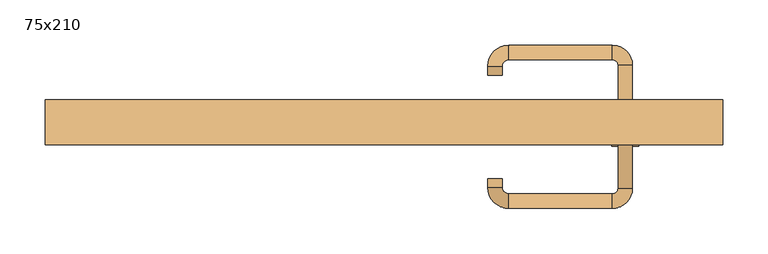
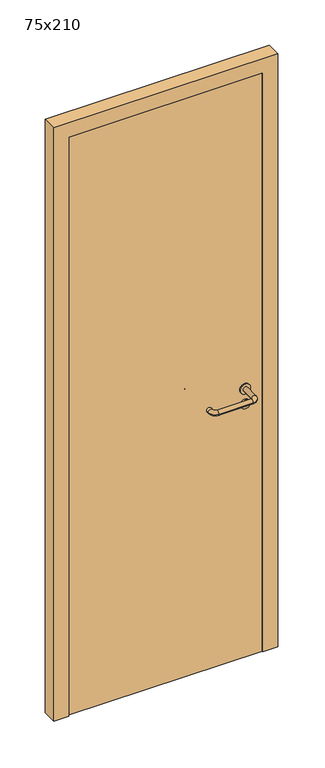
"""IFC4 building model written with IfcOpenShell, lengths in millimetres: door geometry, 75x210."""

from ifc_helpers import new_model, si_unit, point, frame, frame_2d, origin, origin_with_axes, place, context, project, spatial, polyline, circle_curve, ellipse_curve, trimmed, segment, composite_curve, outline, extrude, source, transform, mapped, element, save
from ifc_brep_helpers import plane_surface, cylinder_surface, revolved_surface, advanced_brep


def door_75x210_bcca89df(model_context):
    return source(origin(), model_context, "Body", "SolidModel", [
        extrude(outline(composite_curve([segment(trimmed(circle_curve(frame_2d((897.3605726, 267.0)), 15.0), [point((897.3605726, 282.0))], [point((897.3605726, 252.0))], False, "CARTESIAN"), True, "CONTINUOUS"), segment(trimmed(circle_curve(frame_2d((897.3605726, 267.0)), 15.0), [point((897.3605726, 252.0))], [point((897.3605726, 282.0))], False, "CARTESIAN"), True, "CONTINUOUS")], self_intersect=False), holes=[composite_curve([segment(trimmed(circle_curve(frame_2d((892.5833211, 266.9398032)), 2.0), [point((892.5833211, 268.9398032))], [point((892.5833211, 264.9398032))], True, "CARTESIAN"), True, "CONTINUOUS"), segment(polyline([(892.5833211, 264.9398032), (902.5833211, 264.9398032)]), True, "CONTINUOUS"), segment(trimmed(circle_curve(frame_2d((902.5833211, 266.9398032)), 2.0), [point((902.5833211, 264.9398032))], [point((902.5833211, 268.9398032))], True, "CARTESIAN"), True, "CONTINUOUS"), segment(polyline([(902.5833211, 268.9398032), (892.5833211, 268.9398032)]), True, "CONTINUOUS")], self_intersect=False)]), frame((0.0, -15.0, 0.0), z_axis=(0.0, 1.0, 0.0), x_axis=(0.0, 0.0, 1.0)), (0.0, 0.0, 1.0), 6.35),
        extrude(outline(composite_curve([segment(trimmed(circle_curve(frame_2d((950.0, 267.0)), 17.526), [point((950.0, 284.526))], [point((950.0, 249.474))], False, "CARTESIAN"), True, "CONTINUOUS"), segment(trimmed(circle_curve(frame_2d((950.0, 267.0)), 17.526), [point((950.0, 249.474))], [point((950.0, 284.526))], False, "CARTESIAN"), True, "CONTINUOUS")], self_intersect=False)), frame((0.0, -15.0, 0.0), z_axis=(0.0, 1.0, 0.0), x_axis=(0.0, 0.0, 1.0)), (0.0, 0.0, 1.0), 3.175),
        advanced_brep(
        [(275.0, -15.0, 950.0), (259.0, -15.0, 950.0), (275.0, 38.0, 950.0), (259.0, 38.0, 950.0), (252.8578644, 44.1421356, 950.0), (252.8578644, 60.1421356, 950.0), (137.8578644, 60.1421356, 950.0), (137.8578644, 44.1421356, 950.0), (131.008622, 37.2928932, 950.0), (115.008622, 37.2928932, 950.0), (115.008622, 27.2928932, 950.0), (131.008622, 27.2928932, 950.0)],
        [
            (0, 1, circle_curve(frame((267.0, -15.0, 950.0), z_axis=(0.0, -1.0, 0.0), x_axis=(-1.0, 0.0, 0.0)), 8.0)),
            (1, 0, circle_curve(frame((267.0, -15.0, 950.0), z_axis=(0.0, -1.0, 0.0), x_axis=(-1.0, 0.0, 0.0)), 8.0)),
            (0, 2),
            (2, 3, circle_curve(frame((267.0, 38.0, 950.0), z_axis=(0.0, -1.0, 0.0), x_axis=(-1.0, 0.0, 0.0)), 8.0)),
            (3, 1),
            (3, 2, circle_curve(frame((267.0, 38.0, 950.0), z_axis=(0.0, -1.0, 0.0), x_axis=(-1.0, 0.0, 0.0)), 8.0)),
            (4, 3, circle_curve(frame((252.8578644, 38.0, 950.0), z_axis=(0.0, 0.0, -1.0), x_axis=(1.0, 0.0, 0.0)), 6.1421356)),
            (2, 5, circle_curve(frame((252.8578644, 38.0, 950.0), z_axis=(0.0, 0.0, 1.0), x_axis=(1.0, 0.0, 0.0)), 22.1421356)),
            (5, 4, circle_curve(frame((252.8578644, 52.1421356, 950.0), z_axis=(1.0, 0.0, 0.0), x_axis=(0.0, -1.0, 0.0)), 8.0)),
            (4, 5, circle_curve(frame((252.8578644, 52.1421356, 950.0), z_axis=(1.0, 0.0, 0.0), x_axis=(0.0, -1.0, 0.0)), 8.0)),
            (5, 6),
            (6, 7, circle_curve(frame((137.8578644, 52.1421356, 950.0), z_axis=(1.0, 0.0, 0.0), x_axis=(0.0, -1.0, 0.0)), 8.0)),
            (7, 4),
            (7, 6, circle_curve(frame((137.8578644, 52.1421356, 950.0), z_axis=(1.0, 0.0, 0.0), x_axis=(0.0, -1.0, 0.0)), 8.0)),
            (8, 7, circle_curve(frame((137.8578644, 37.2928932, 950.0), z_axis=(0.0, 0.0, -1.0), x_axis=(0.0, 1.0, 0.0)), 6.8492424)),
            (6, 9, circle_curve(frame((137.8578644, 37.2928932, 950.0), z_axis=(0.0, 0.0, 1.0), x_axis=(0.0, 1.0, 0.0)), 22.8492424)),
            (9, 8, circle_curve(frame((123.008622, 37.2928932, 950.0), z_axis=(0.0, 1.0, 0.0), x_axis=(1.0, 0.0, 0.0)), 8.0)),
            (8, 9, circle_curve(frame((123.008622, 37.2928932, 950.0), z_axis=(0.0, 1.0, 0.0), x_axis=(1.0, 0.0, 0.0)), 8.0)),
            (10, 11, circle_curve(frame((123.008622, 27.2928932, 950.0), z_axis=(0.0, -1.0, 0.0), x_axis=(1.0, 0.0, 0.0)), 8.0)),
            (11, 10, circle_curve(frame((123.008622, 27.2928932, 950.0), z_axis=(0.0, -1.0, 0.0), x_axis=(1.0, 0.0, 0.0)), 8.0)),
            (9, 10),
            (11, 8),
        ],
        [
            plane_surface(frame((267.0, -15.0, 170.0), z_axis=(0.0, -1.0, 0.0), x_axis=(0.0, 0.0, 1.0))),
            cylinder_surface(frame((267.0, -15.0, 950.0), z_axis=(0.0, -1.0, 0.0), x_axis=(-1.0, 0.0, 0.0)), 8.0),
            revolved_surface(trimmed(ellipse_curve(frame((267.0, 38.0, 950.0), z_axis=(0.0, -1.0, 0.0), x_axis=(-1.0, 0.0, 0.0)), 8.0, 8.0), [point((275.0, 38.0, 950.0))], [point((259.0, 38.0, 950.0))], True, "CARTESIAN"), (252.8578644, 38.0, 170.0), (0.0, 0.0, 1.0)),
            revolved_surface(trimmed(ellipse_curve(frame((267.0, 38.0, 950.0), z_axis=(0.0, -1.0, 0.0), x_axis=(-1.0, 0.0, 0.0)), 8.0, 8.0), [point((259.0, 38.0, 950.0))], [point((275.0, 38.0, 950.0))], True, "CARTESIAN"), (252.8578644, 38.0, 170.0), (0.0, 0.0, 1.0)),
            cylinder_surface(frame((252.8578644, 52.1421356, 950.0), z_axis=(1.0, 0.0, 0.0), x_axis=(0.0, -1.0, 0.0)), 8.0),
            revolved_surface(trimmed(ellipse_curve(frame((137.8578644, 52.1421356, 950.0), z_axis=(1.0, 0.0, 0.0), x_axis=(0.0, -1.0, 0.0)), 8.0, 8.0), [point((137.8578644, 60.1421356, 950.0))], [point((137.8578644, 44.1421356, 950.0))], True, "CARTESIAN"), (137.8578644, 37.2928932, 170.0), (0.0, 0.0, 1.0)),
            revolved_surface(trimmed(ellipse_curve(frame((137.8578644, 52.1421356, 950.0), z_axis=(1.0, 0.0, 0.0), x_axis=(0.0, -1.0, 0.0)), 8.0, 8.0), [point((137.8578644, 44.1421356, 950.0))], [point((137.8578644, 60.1421356, 950.0))], True, "CARTESIAN"), (137.8578644, 37.2928932, 170.0), (0.0, 0.0, 1.0)),
            plane_surface(frame((123.008622, 27.2928932, 170.0), z_axis=(0.0, -1.0, 0.0), x_axis=(0.0, 0.0, 1.0))),
            cylinder_surface(frame((123.008622, 37.2928932, 950.0), z_axis=(0.0, 1.0, 0.0), x_axis=(1.0, 0.0, 0.0)), 8.0),
        ],
        [
            (0, [[1, 2]]),
            (1, [[-1, 3, 4, 5]]),
            (1, [[-2, -5, 6, -3]]),
            (2, [[7, -4, 8, 9]]),
            (3, [[-8, -6, -7, 10]]),
            (4, [[-9, 11, 12, 13]]),
            (4, [[-10, -13, 14, -11]]),
            (5, [[15, -12, 16, 17]]),
            (6, [[-16, -14, -15, 18]]),
            (7, [[19, 20]]),
            (8, [[-17, 21, -20, 22]]),
            (8, [[-18, -22, -19, -21]]),
        ],
    ),
        extrude(outline(composite_curve([segment(trimmed(circle_curve(frame_2d((0.0, 15.0)), 15.0), [point((0.0, 30.0))], [point((0.0, 0.0))], False, "CARTESIAN"), True, "CONTINUOUS"), segment(trimmed(circle_curve(frame_2d((0.0, 15.0)), 15.0), [point((0.0, 0.0))], [point((0.0, 30.0))], False, "CARTESIAN"), True, "CONTINUOUS")], self_intersect=False), holes=[composite_curve([segment(trimmed(circle_curve(frame_2d((-4.7772515, 14.9398032)), 2.0), [point((-4.7772515, 16.9398032))], [point((-4.7772515, 12.9398032))], True, "CARTESIAN"), True, "CONTINUOUS"), segment(polyline([(-4.7772515, 12.9398032), (5.2227485, 12.9398032)]), True, "CONTINUOUS"), segment(trimmed(circle_curve(frame_2d((5.2227485, 14.9398032)), 2.0), [point((5.2227485, 12.9398032))], [point((5.2227485, 16.9398032))], True, "CARTESIAN"), True, "CONTINUOUS"), segment(polyline([(5.2227485, 16.9398032), (-4.7772515, 16.9398032)]), True, "CONTINUOUS")], self_intersect=False)]), frame((252.0, -51.35, 897.3605726), z_axis=(-1.8870575173328306e-12, 1.0, 0.0), x_axis=(0.0, 0.0, 1.0)), (0.0, 0.0, 1.0), 6.35),
        extrude(outline(composite_curve([segment(trimmed(circle_curve(frame_2d((0.0, 17.526)), 17.526), [point((0.0, 35.052))], [point((0.0, 0.0))], False, "CARTESIAN"), True, "CONTINUOUS"), segment(trimmed(circle_curve(frame_2d((0.0, 17.526)), 17.526), [point((0.0, 0.0))], [point((0.0, 35.052))], False, "CARTESIAN"), True, "CONTINUOUS")], self_intersect=False)), frame((249.474, -48.175, 950.0), z_axis=(-1.8870575173328306e-12, 1.0, 0.0), x_axis=(0.0, 0.0, 1.0)), (0.0, 0.0, 1.0), 3.175),
        advanced_brep(
        [(275.0, -45.0, 950.0), (259.0, -45.0, 950.0), (259.0, -98.0, 950.0), (275.0, -98.0, 950.0), (252.8578644, -104.1421356, 950.0), (252.8578644, -120.1421356, 950.0), (137.8578644, -104.1421356, 950.0), (137.8578644, -120.1421356, 950.0), (131.008622, -97.2928932, 950.0), (115.008622, -97.2928932, 950.0), (115.008622, -87.2928932, 950.0), (131.008622, -87.2928932, 950.0)],
        [
            (0, 1, circle_curve(frame((267.0, -45.0, 950.0), z_axis=(-1.888672253512351e-12, 1.0, 0.0), x_axis=(-1.0, -1.888672253512351e-12, 0.0)), 8.0)),
            (1, 0, circle_curve(frame((267.0, -45.0, 950.0), z_axis=(-1.888672253512351e-12, 1.0, 0.0), x_axis=(-1.0, -1.888672253512351e-12, 0.0)), 8.0)),
            (1, 2),
            (2, 3, circle_curve(frame((267.0, -98.0, 950.0), z_axis=(-1.888672253512351e-12, 1.0, 0.0), x_axis=(-1.0, -1.888672253512351e-12, 0.0)), 8.0)),
            (3, 0),
            (3, 2, circle_curve(frame((267.0, -98.0, 950.0), z_axis=(-1.888672253512351e-12, 1.0, 0.0), x_axis=(-1.0, -1.888672253512351e-12, 0.0)), 8.0)),
            (4, 5, circle_curve(frame((252.8578644, -112.1421356, 950.0), z_axis=(1.0, 1.913702061528922e-12, 0.0), x_axis=(-1.913702061528922e-12, 1.0, 0.0)), 8.0)),
            (5, 3, circle_curve(frame((252.8578644, -98.0, 950.0), z_axis=(0.0, 0.0, 1.0), x_axis=(1.0, 1.880717803715015e-12, 0.0)), 22.1421356)),
            (2, 4, circle_curve(frame((252.8578644, -98.0, 950.0), z_axis=(0.0, 0.0, -1.0), x_axis=(1.0, 1.880717803715015e-12, 0.0)), 6.1421356)),
            (5, 4, circle_curve(frame((252.8578644, -112.1421356, 950.0), z_axis=(1.0, 1.913702061528922e-12, 0.0), x_axis=(-1.913702061528922e-12, 1.0, 0.0)), 8.0)),
            (4, 6),
            (6, 7, circle_curve(frame((137.8578644, -112.1421356, 950.0), z_axis=(1.0, 1.913719828541269e-12, 0.0), x_axis=(-1.913719828541269e-12, 1.0, 0.0)), 8.0)),
            (7, 5),
            (7, 6, circle_curve(frame((137.8578644, -112.1421356, 950.0), z_axis=(1.0, 1.913719828541269e-12, 0.0), x_axis=(-1.913719828541269e-12, 1.0, 0.0)), 8.0)),
            (8, 9, circle_curve(frame((123.008622, -97.2928932, 950.0), z_axis=(1.890226565746826e-12, -1.0, 0.0), x_axis=(1.0, 1.890226565746826e-12, 0.0)), 8.0)),
            (9, 7, circle_curve(frame((137.8578644, -97.2928932, 950.0), z_axis=(0.0, 0.0, 1.0), x_axis=(1.9120873253494017e-12, -1.0, 0.0)), 22.8492424)),
            (6, 8, circle_curve(frame((137.8578644, -97.2928932, 950.0), z_axis=(0.0, 0.0, -1.0), x_axis=(1.9120873253494017e-12, -1.0, 0.0)), 6.8492424)),
            (9, 8, circle_curve(frame((123.008622, -97.2928932, 950.0), z_axis=(1.890670654956676e-12, -1.0, 0.0), x_axis=(1.0, 1.890670654956676e-12, 0.0)), 8.0)),
            (10, 11, circle_curve(frame((123.008622, -87.2928932, 950.0), z_axis=(-1.8903642334018795e-12, 1.0, 0.0), x_axis=(1.0, 1.8903642334018795e-12, 0.0)), 8.0)),
            (11, 10, circle_curve(frame((123.008622, -87.2928932, 950.0), z_axis=(-1.8903642334018795e-12, 1.0, 0.0), x_axis=(1.0, 1.8903642334018795e-12, 0.0)), 8.0)),
            (8, 11),
            (10, 9),
        ],
        [
            plane_surface(frame((267.0, -45.0, 170.0), z_axis=(-1.8870575173328306e-12, 1.0, 0.0), x_axis=(0.0, 0.0, 1.0))),
            cylinder_surface(frame((267.0, -45.0, 950.0), z_axis=(-1.888672253512351e-12, 1.0, 0.0), x_axis=(-1.0, -1.888672253512351e-12, 0.0)), 8.0),
            revolved_surface(trimmed(ellipse_curve(frame((267.0, -98.0, 950.0), z_axis=(1.8823325398945356e-12, -1.0, 0.0), x_axis=(-1.0, -1.8823325398945356e-12, 0.0)), 8.0, 8.0), [point((275.0, -98.0, 950.0))], [point((259.0, -98.0, 950.0))], True, "CARTESIAN"), (252.8578644, -98.0, 170.0), (0.0, 0.0, 1.0)),
            revolved_surface(trimmed(ellipse_curve(frame((267.0, -98.0, 950.0), z_axis=(1.8823325398945356e-12, -1.0, 0.0), x_axis=(-1.0, -1.8823325398945356e-12, 0.0)), 8.0, 8.0), [point((259.0, -98.0, 950.0))], [point((275.0, -98.0, 950.0))], True, "CARTESIAN"), (252.8578644, -98.0, 170.0), (0.0, 0.0, 1.0)),
            cylinder_surface(frame((252.8578644, -112.1421356, 950.0), z_axis=(1.0, 1.913719828541269e-12, 0.0), x_axis=(-1.913719828541269e-12, 1.0, 0.0)), 8.0),
            revolved_surface(trimmed(ellipse_curve(frame((137.8578644, -112.1421356, 950.0), z_axis=(-1.0, -1.913702061528922e-12, 0.0), x_axis=(-1.913702061528922e-12, 1.0, 0.0)), 8.0, 8.0), [point((137.8578644, -120.1421356, 950.0))], [point((137.8578644, -104.1421356, 950.0))], True, "CARTESIAN"), (137.8578644, -97.2928932, 170.0), (0.0, 0.0, 1.0)),
            revolved_surface(trimmed(ellipse_curve(frame((137.8578644, -112.1421356, 950.0), z_axis=(-1.0, -1.913702061528922e-12, 0.0), x_axis=(-1.913702061528922e-12, 1.0, 0.0)), 8.0, 8.0), [point((137.8578644, -104.1421356, 950.0))], [point((137.8578644, -120.1421356, 950.0))], True, "CARTESIAN"), (137.8578644, -97.2928932, 170.0), (0.0, 0.0, 1.0)),
            plane_surface(frame((123.008622, -87.2928932, 170.0), z_axis=(-1.8887494972223595e-12, 1.0, 0.0), x_axis=(0.0, 0.0, 1.0))),
            cylinder_surface(frame((123.008622, -97.2928932, 950.0), z_axis=(1.8903642334018795e-12, -1.0, 0.0), x_axis=(1.0, 1.8903642334018795e-12, 0.0)), 8.0),
        ],
        [
            (0, [[1, 2]]),
            (1, [[3, 4, 5, -2]]),
            (1, [[-5, 6, -3, -1]]),
            (2, [[7, 8, -4, 9]]),
            (3, [[10, -9, -6, -8]]),
            (4, [[11, 12, 13, -7]]),
            (4, [[-13, 14, -11, -10]]),
            (5, [[15, 16, -12, 17]]),
            (6, [[18, -17, -14, -16]]),
            (7, [[19, 20]]),
            (8, [[21, -19, 22, -15]]),
            (8, [[-22, -20, -21, -18]]),
        ],
    ),
        extrude(outline(polyline([(2050.0, 325.0), (0.0, 325.0), (0.0, 375.0), (2100.0, 375.0), (2100.0, -375.0), (0.0, -375.0), (0.0, -325.0), (2050.0, -325.0), (2050.0, 325.0)])), frame((0.0, -50.0, 0.0), z_axis=(0.0, 1.0, 0.0), x_axis=(0.0, 0.0, 1.0)), (0.0, 0.0, 1.0), 50.0),
        extrude(outline(polyline([(-325.0, -45.0), (-325.0, -15.0), (325.0, -15.0), (325.0, -45.0), (-325.0, -45.0)])), origin_with_axes(), (0.0, 0.0, 1.0), 2050.0),
    ])


if __name__ == "__main__":
    model = new_model("IFC4")
    model_context = context("Model", 3, world=origin())
    ifc_project = project(units=[si_unit("LENGTHUNIT", "METRE", prefix="MILLI")], contexts=[model_context])
    site = spatial("IfcSite", under=ifc_project)
    building = spatial("IfcBuilding", under=site)
    placement = place(None, origin())
    door_75x210_shape = door_75x210_bcca89df(model_context)
    element("IfcDoor", 1, ObjectType="75x210", at=placement, inside=building, context=model_context, shape_type="MappedRepresentation", body=[
        mapped(door_75x210_shape, transform((0.0, 0.0, 0.0), x_axis=(1.0, 0.0, 0.0), y_axis=(0.0, 1.0, 0.0), z_axis=(0.0, 0.0, 1.0))),
    ])
    save(model, "model.ifc")
